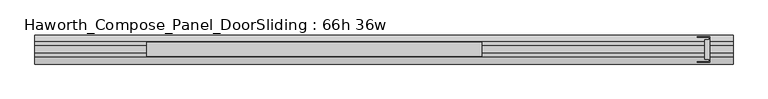
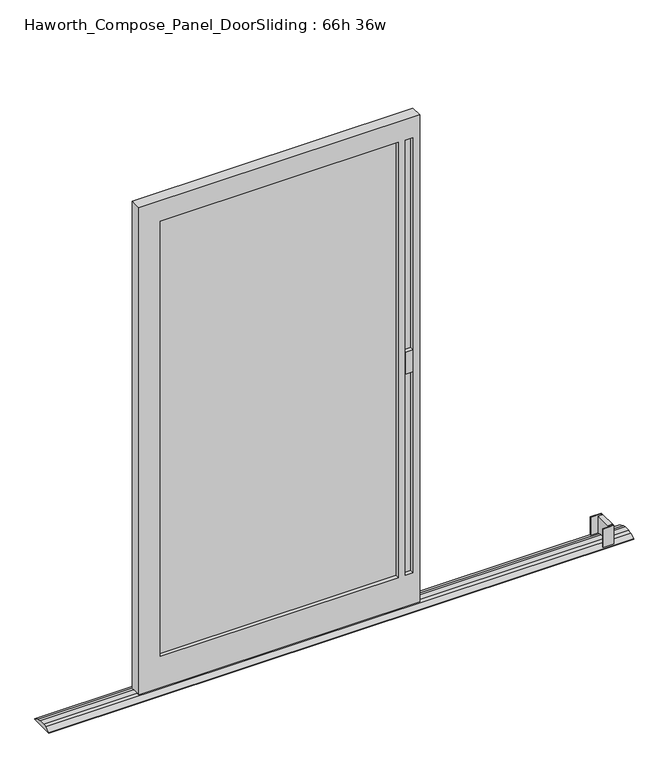
"""IFC4 building model written with IfcOpenShell, lengths in millimetres: furniture geometry, Haworth_Compose_Panel_DoorSliding : 66h 36w."""

from ifc_helpers import new_model, si_unit, frame, origin, place, context, project, spatial, polyline, circle_curve, outline, extrude, faceted_brep, source, transform, mapped, element, save
from ifc_brep_helpers import plane_surface, cylinder_surface, advanced_brep


def haworth_compose_panel_doorsliding_66h_36w_cf5ab913(model_context):
    return source(origin(), model_context, "Body", "SolidModel", [
        extrude(outline(polyline([(470.1884771, -10.8677216), (-304.5115229, -10.8677216), (-304.5115229, 1.8322784), (470.1884771, 1.8322784), (470.1884771, -10.8677216)])), frame((0.0, 0.0, 120.65), z_axis=(0.0, 0.0, 1.0), x_axis=(1.0, 0.0, 0.0)), (0.0, 0.0, 1.0), 1498.6),
        faceted_brep([(540.0384771, 14.5322784, 1689.1), (540.0384771, 14.5322784, 12.7), (-374.3615229, 14.5322784, 12.7), (-374.3615229, 14.5322784, 1689.1), (470.1884771, 14.5322784, 1619.25), (-304.5115229, 14.5322784, 1619.25), (-304.5115229, 14.5322784, 120.65), (470.1884771, 14.5322784, 120.65), (517.8134771, 14.5322784, 1619.25), (492.4134771, 14.5322784, 1619.25), (492.4134771, 14.5322784, 120.65), (517.8134771, 14.5322784, 120.65), (-374.3615229, -23.5677216, 1689.1), (540.0384771, -23.5677216, 1689.1), (540.0384771, -23.5677216, 12.7), (-374.3615229, -23.5677216, 12.7), (470.1884771, -23.5677216, 120.65), (470.1884771, -23.5677216, 1619.25), (-304.5115229, -23.5677216, 120.65), (-304.5115229, -23.5677216, 1619.25), (517.8134771, -23.5677216, 1619.25), (517.8134771, -23.5677216, 120.65), (492.4134771, -23.5677216, 120.65), (492.4134771, -23.5677216, 1619.25), (517.8134771, 1.8322784, 120.65), (517.8134771, 1.8322784, 1619.25), (517.8134771, -10.8677216, 1619.25), (517.8134771, -10.8677216, 120.65), (492.4134771, 1.8322784, 120.65), (492.4134771, -10.8677216, 120.65), (492.4134771, 1.8322784, 1619.25), (492.4134771, -10.8677216, 1619.25)], [[[0, 1, 2, 3], [4, 5, 6, 7], [8, 9, 10, 11]], [[12, 13, 0, 3]], [[14, 15, 2, 1]], [[13, 14, 1, 0]], [[16, 17, 4, 7]], [[18, 16, 7, 6]], [[19, 18, 6, 5]], [[17, 19, 5, 4]], [[13, 12, 15, 14], [17, 16, 18, 19], [20, 21, 22, 23]], [[15, 12, 3, 2]], [[8, 11, 24, 25]], [[21, 20, 26, 27]], [[11, 10, 28, 24]], [[22, 21, 27, 29]], [[10, 9, 30, 28]], [[23, 22, 29, 31]], [[9, 8, 25, 30]], [[20, 23, 31, 26]], [[27, 26, 31, 29]], [[25, 24, 28, 30]]]),
        extrude(outline(polyline([(517.8134771, 1.8322784), (492.4134771, 1.8322784), (492.4134771, 14.5322784), (517.8134771, 14.5322784), (517.8134771, 1.8322784)])), frame((0.0, 0.0, 812.8), z_axis=(0.0, 0.0, 1.0), x_axis=(1.0, 0.0, 0.0)), (0.0, 0.0, 1.0), 76.2),
        extrude(outline(polyline([(492.4134771, -10.8677216), (517.8134771, -10.8677216), (517.8134771, -23.5677216), (492.4134771, -23.5677216), (492.4134771, -10.8677216)])), frame((0.0, 0.0, 812.8), z_axis=(0.0, 0.0, 1.0), x_axis=(1.0, 0.0, 0.0)), (0.0, 0.0, 1.0), 76.2),
        extrude(outline(polyline([(1162.3384771, 30.4072784), (1162.3384771, -39.4427216), (1127.4134771, -39.4427216), (1127.4134771, -37.8552216), (1160.7509771, -37.8552216), (1160.7509771, -31.5052216), (1148.0509771, -31.5052216), (1148.0509771, 22.4697784), (1160.7509771, 22.4697784), (1160.7509771, 28.8197784), (1127.4134771, 28.8197784), (1127.4134771, 30.4072784), (1162.3384771, 30.4072784)])), frame((0.0, 0.0, 1.5875), z_axis=(0.0, 0.0, 1.0), x_axis=(1.0, 0.0, 0.0)), (0.0, 0.0, 1.0), 65.7225),
        advanced_brep(
        [(-679.1615229, 35.1431511, 0.0), (-679.1615229, -44.1785944, 0.0), (-679.1615229, -44.1785944, 1.5875), (-679.1615229, -25.8161303, 10.1662427), (-679.1615229, -14.4066305, 12.7), (-679.1615229, 5.3711872, 12.7), (-679.1615229, 16.7630089, 10.1744939), (-679.1615229, 35.1431511, 1.6084654), (1225.8384771, 35.1431511, 0.0), (1225.8384771, 35.1431511, 1.6084654), (1225.8384771, 16.7648369, 10.178414), (1225.8384771, 5.3711872, 12.7), (1225.8384771, -14.4066305, 12.7), (1225.8384771, -25.8161303, 10.1662427), (1225.8384771, -44.1785944, 1.5875), (1225.8384771, -44.1785944, 0.0)],
        [
            (0, 1),
            (1, 2),
            (2, 3),
            (3, 4, circle_curve(frame((-679.1615229, -14.4066305, -14.2553465), z_axis=(-1.0, 0.0, 0.0), x_axis=(0.0, 0.0, 1.0)), 26.9553465)),
            (4, 5),
            (5, 6, circle_curve(frame((-679.1615229, 5.3711872, -14.2553465), z_axis=(-1.0, 0.0, 0.0), x_axis=(0.0, 0.0, 1.0)), 26.9553465)),
            (6, 7),
            (7, 0),
            (8, 9),
            (9, 10),
            (10, 11, circle_curve(frame((1225.8384771, 5.3711872, -14.2553465), z_axis=(1.0, 0.0, 0.0), x_axis=(0.0, 0.0, 1.0)), 26.9553465)),
            (11, 12),
            (12, 13, circle_curve(frame((1225.8384771, -14.4066305, -14.2553465), z_axis=(1.0, 0.0, 0.0), x_axis=(0.0, 0.0, 1.0)), 26.9553465)),
            (13, 14),
            (14, 15),
            (15, 8),
            (0, 8),
            (15, 1),
            (14, 2),
            (7, 9),
            (13, 3),
            (12, 4),
            (11, 5),
            (10, 6),
        ],
        [
            plane_surface(frame((-679.1615229, -4.5177216, 0.0), z_axis=(-1.0, 0.0, 0.0), x_axis=(0.0, -1.0, 0.0))),
            plane_surface(frame((1225.8384771, -4.5177216, 0.0), z_axis=(1.0, 0.0, 0.0), x_axis=(0.0, -1.0, 0.0))),
            plane_surface(frame((-679.1615229, 35.1431511, 0.0), z_axis=(0.0, 0.0, -1.0), x_axis=(1.0, 0.0, 0.0))),
            plane_surface(frame((-679.1615229, -44.1785944, 0.0), z_axis=(0.0, -1.0, 0.0), x_axis=(1.0, 0.0, 0.0))),
            plane_surface(frame((-679.1615229, 35.1431511, 1.6084654), z_axis=(0.0, 1.0, 0.0), x_axis=(1.0, 0.0, 0.0))),
            plane_surface(frame((-679.1615229, -44.1785944, 1.5875), z_axis=(0.0, -0.42327409086982815, 0.9060016799092155), x_axis=(1.0, 0.0, 0.0))),
            cylinder_surface(frame((-679.1615229, -14.4066305, -14.2553465), z_axis=(-1.0, 0.0, 0.0), x_axis=(0.0, 0.0, 1.0)), 26.9553465),
            plane_surface(frame((-679.1615229, -14.4066305, 12.7), z_axis=(0.0, 0.0, 1.0), x_axis=(1.0, 0.0, 0.0))),
            cylinder_surface(frame((-679.1615229, 5.3711872, -14.2553465), z_axis=(-1.0, 0.0, 0.0), x_axis=(0.0, 0.0, 1.0)), 26.9553465),
            plane_surface(frame((-679.1615229, 16.7648369, 10.178414), z_axis=(0.0, 0.4226182617407623, 0.9063077870366207), x_axis=(1.0, 0.0, 0.0))),
        ],
        [
            (0, [[1, 2, 3, 4, 5, 6, 7, 8]]),
            (1, [[9, 10, 11, 12, 13, 14, 15, 16]]),
            (2, [[-1, 17, -16, 18]]),
            (3, [[-2, -18, -15, 19]]),
            (4, [[-8, 20, -9, -17]]),
            (5, [[-3, -19, -14, 21]]),
            (6, [[-4, -21, -13, 22]]),
            (7, [[-5, -22, -12, 23]]),
            (8, [[-6, -23, -11, 24]]),
            (9, [[-7, -24, -10, -20]]),
        ],
    ),
    ])


if __name__ == "__main__":
    model = new_model("IFC4")
    model_context = context("Model", 3, world=origin())
    ifc_project = project(units=[si_unit("LENGTHUNIT", "METRE", prefix="MILLI")], contexts=[model_context])
    site = spatial("IfcSite", under=ifc_project)
    building = spatial("IfcBuilding", under=site)
    placement = place(None, origin())
    haworth_compose_panel_doorsliding_66h_36w_shape = haworth_compose_panel_doorsliding_66h_36w_cf5ab913(model_context)
    element("IfcFurniture", 1, ObjectType="Haworth_Compose_Panel_DoorSliding : 66h 36w", at=placement, inside=building, context=model_context, shape_type="MappedRepresentation", body=[
        mapped(haworth_compose_panel_doorsliding_66h_36w_shape, transform((0.0, 0.0, 0.0), x_axis=(1.0, 0.0, 0.0), y_axis=(0.0, 1.0, 0.0), z_axis=(0.0, 0.0, 1.0))),
    ])
    save(model, "model.ifc")
